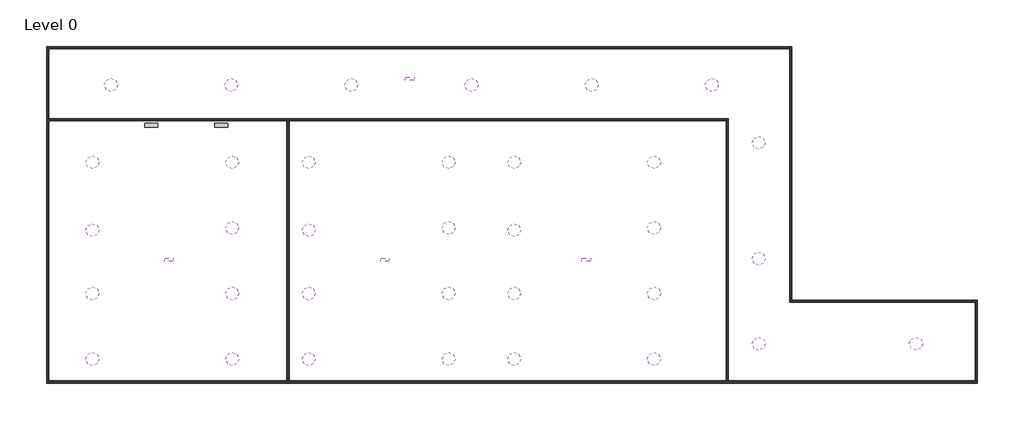
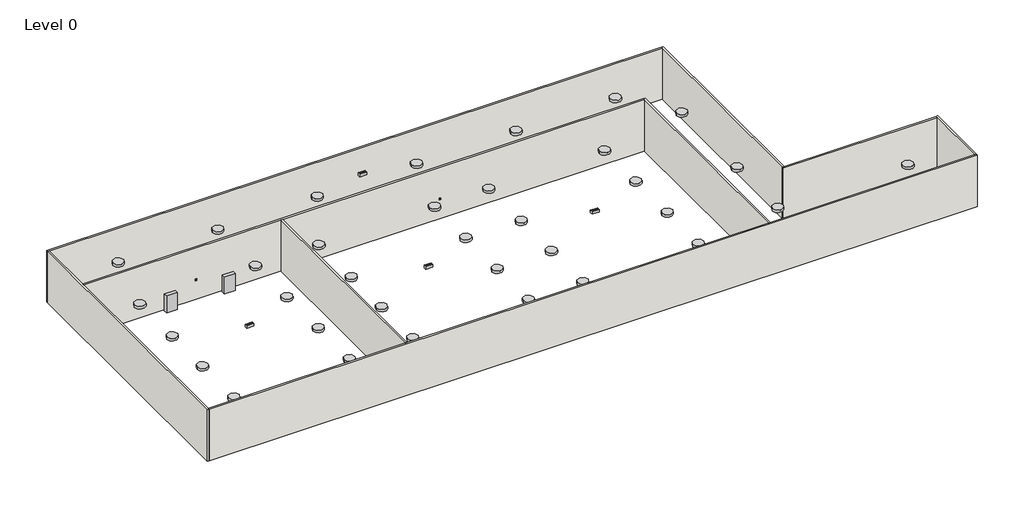
# One storey: 34 light fixtures, 9 walls, 6 proxies, 2 switching devices.
"""IFC4 building model written with IfcOpenShell, lengths in millimetres."""

import ifcopenshell
import ifcopenshell.guid

model = None  # the IFC model being written
_history = None  # IfcOwnerHistory: only IFC2X3 demands one
_inside = {}  # id of a spatial element -> (the spatial element, [elements in it])
_under = {}  # id of a project, library or spatial element -> (it, [spatial elements below it])
_declared = {}  # id of a project -> (the project, [libraries it declares])
_typed = {}  # id of a type object -> (the type object, [elements of that type])
_made_of = {}  # id of a material, layer set ... -> (it, [elements and type objects made of it])


def new_model(schema):
    """Start an empty IFC model of exactly this schema.

    Asked for "IFC4X3", IfcOpenShell would pick the latest addendum, in which some entities
    have other attributes; the version numbers below select the first issue.
    IFC2X3 requires an IfcOwnerHistory on every rooted entity: one is made here for all.
    """
    global model, _history
    if schema == "IFC4X3":
        model = ifcopenshell.file(schema_version=(4, 3, 0, 0))
    else:
        model = ifcopenshell.file(schema=schema)
    _inside.clear()
    _under.clear()
    _declared.clear()
    _typed.clear()
    _made_of.clear()
    _history = None
    if model.schema == "IFC2X3":
        org = make("IfcOrganization", Name="unknown")
        user = make(
            "IfcPersonAndOrganization",
            ThePerson=make("IfcPerson", FamilyName="unknown"),
            TheOrganization=org,
        )
        app = make(
            "IfcApplication",
            ApplicationDeveloper=org,
            Version="unknown",
            ApplicationFullName="unknown",
            ApplicationIdentifier="unknown",
        )
        _history = make(
            "IfcOwnerHistory",
            OwningUser=user,
            OwningApplication=app,
            ChangeAction="ADDED",
            CreationDate=0,
        )
    return model


def make(cls, **values):
    """One entity of the class cls with the attributes given. An attribute that is None is left unset."""
    return model.create_entity(
        cls, **{name: value for name, value in values.items() if value is not None}
    )


def rooted(cls, **values):
    """An entity with a GlobalId (a new one), such as an element, a storey or a relation."""
    return make(cls, GlobalId=ifcopenshell.guid.new(), OwnerHistory=_history, **values)


def si_unit(unit_type, name, prefix=None):
    """IfcSIUnit, for example si_unit("LENGTHUNIT", "METRE", prefix="MILLI")."""
    return make("IfcSIUnit", UnitType=unit_type, Prefix=prefix, Name=name)


def assignment(units):
    """IfcUnitAssignment: the units of a project."""
    return None if units is None else make("IfcUnitAssignment", Units=units)


def point(xyz):
    """IfcCartesianPoint."""
    return None if xyz is None else make("IfcCartesianPoint", Coordinates=xyz)


def direction(xyz):
    """IfcDirection."""
    return None if xyz is None else make("IfcDirection", DirectionRatios=xyz)


def frame(location, z_axis=None, x_axis=None):
    """IfcAxis2Placement3D, a coordinate frame: its origin and axes. An axis left out is left unset."""
    return make(
        "IfcAxis2Placement3D",
        Location=point(location),
        Axis=direction(z_axis),
        RefDirection=direction(x_axis),
    )


def frame_2d(location, x_axis=None):
    """IfcAxis2Placement2D, a coordinate frame in the plane: its origin and x axis."""
    return make(
        "IfcAxis2Placement2D", Location=point(location), RefDirection=direction(x_axis)
    )


def origin():
    """The frame at (0, 0, 0) with its axes left unset."""
    return frame((0.0, 0.0, 0.0))


def origin_with_axes():
    """The frame at (0, 0, 0) with the z axis (0, 0, 1) and the x axis (1, 0, 0) written out."""
    return frame((0.0, 0.0, 0.0), z_axis=(0.0, 0.0, 1.0), x_axis=(1.0, 0.0, 0.0))


def origin_2d():
    """The frame at (0, 0) in the plane with its x axis left unset."""
    return frame_2d((0.0, 0.0))


def place(relative_to, where):
    """IfcLocalPlacement: puts the frame where relative to a parent placement (None: the world)."""
    return make(
        "IfcLocalPlacement", PlacementRelTo=relative_to, RelativePlacement=where
    )


def context(
    kind, dimensions, precision=None, world=None, true_north=None, identifier=None
):
    """IfcGeometricRepresentationContext, for example the 3D "Model" context."""
    return make(
        "IfcGeometricRepresentationContext",
        ContextIdentifier=identifier,
        ContextType=kind,
        CoordinateSpaceDimension=dimensions,
        Precision=precision,
        WorldCoordinateSystem=world,
        TrueNorth=true_north,
    )


def project(units=None, contexts=None):
    """IfcProject with its units and contexts."""
    return rooted(
        "IfcProject",
        Name="project",
        RepresentationContexts=contexts,
        UnitsInContext=assignment(units),
    )


def spatial(cls, under=None, at=None, **own):
    """A site, building, storey or space (cls), placed at a placement, below another one or the project."""
    s = rooted(cls, ObjectPlacement=at, **own)
    if under is not None:
        _under.setdefault(under.id(), (under, []))[1].append(s)
    return s


def polyline(points):
    """IfcPolyline through the points."""
    return make("IfcPolyline", Points=[point(p) for p in points])


def circle_curve(where, radius):
    """IfcCircle in the frame where."""
    return make("IfcCircle", Position=where, Radius=radius)


def trimmed(basis, trim1, trim2, sense, master):
    """IfcTrimmedCurve: the piece of a basis curve between two trims."""
    return make(
        "IfcTrimmedCurve",
        BasisCurve=basis,
        Trim1=trim1,
        Trim2=trim2,
        SenseAgreement=sense,
        MasterRepresentation=master,
    )


def segment(curve, same_sense, transition):
    """IfcCompositeCurveSegment."""
    return make(
        "IfcCompositeCurveSegment",
        Transition=transition,
        SameSense=same_sense,
        ParentCurve=curve,
    )


def composite_curve(segments, self_intersect=None):
    """IfcCompositeCurve: segments joined end to end."""
    return make("IfcCompositeCurve", Segments=segments, SelfIntersect=self_intersect)


def outline(outer, holes=None, kind="AREA"):
    """IfcArbitraryClosedProfileDef: a profile drawn as a closed curve; with holes, ...WithVoids."""
    if holes is None:
        return make("IfcArbitraryClosedProfileDef", ProfileType=kind, OuterCurve=outer)
    return make(
        "IfcArbitraryProfileDefWithVoids",
        ProfileType=kind,
        OuterCurve=outer,
        InnerCurves=holes,
    )


def extrude(swept, where, along, depth):
    """IfcExtrudedAreaSolid: the profile swept, set in the frame where, extruded along a direction by depth."""
    return make(
        "IfcExtrudedAreaSolid",
        SweptArea=swept,
        Position=where,
        ExtrudedDirection=direction(along),
        Depth=depth,
    )


def faces_of(points, faces, orient=None, outer=None):
    """IfcFace entities. A face is a list of loops; a loop is a list of indices into points, from 0.

    orient and outer hold one flag for each loop. By default every Orientation is true, the
    first loop of a face is its IfcFaceOuterBound and the others are IfcFaceBound.
    """
    made = []
    for i, loops in enumerate(faces):
        bounds = []
        for j, loop in enumerate(loops):
            is_outer = j == 0 if outer is None else outer[i][j]
            bounds.append(
                make(
                    "IfcFaceOuterBound" if is_outer else "IfcFaceBound",
                    Bound=make("IfcPolyLoop", Polygon=[points[k] for k in loop]),
                    Orientation=True if orient is None else orient[i][j],
                )
            )
        made.append(make("IfcFace", Bounds=bounds))
    return made


def faceted_brep(points, faces, orient=None, outer=None, voids=None):
    """IfcFacetedBrep: a solid bounded by flat faces; with voids (closed shells), ...WithVoids."""
    shared = [point(p) for p in points]
    hull = make("IfcClosedShell", CfsFaces=faces_of(shared, faces, orient, outer))
    if voids is None:
        return make("IfcFacetedBrep", Outer=hull)
    return make(
        "IfcFacetedBrepWithVoids",
        Outer=hull,
        Voids=[
            make(cls, CfsFaces=faces_of(shared, fs, o, b)) for cls, fs, o, b in voids
        ],
    )


def shape(context_of_items, identifier, shape_type, items):
    """IfcShapeRepresentation: the items that make up one representation, for example the "Body"."""
    return make(
        "IfcShapeRepresentation",
        ContextOfItems=context_of_items,
        RepresentationIdentifier=identifier,
        RepresentationType=shape_type,
        Items=items,
    )


def source(mapping_origin, context_of_items, identifier, shape_type, items):
    """IfcRepresentationMap: a shape defined once, which mapped items show again and again."""
    return make(
        "IfcRepresentationMap",
        MappingOrigin=mapping_origin,
        MappedRepresentation=shape(context_of_items, identifier, shape_type, items),
    )


def transform(
    local_origin,
    x_axis=None,
    y_axis=None,
    z_axis=None,
    scale=None,
    scale2=None,
    scale3=None,
    uniform=True,
):
    """IfcCartesianTransformationOperator3D, or its non-uniform kind. x_axis, y_axis, z_axis: its Axis1, 2, 3."""
    if uniform:
        return make(
            "IfcCartesianTransformationOperator3D",
            Axis1=direction(x_axis),
            Axis2=direction(y_axis),
            LocalOrigin=point(local_origin),
            Scale=scale,
            Axis3=direction(z_axis),
        )
    return make(
        "IfcCartesianTransformationOperator3DnonUniform",
        Axis1=direction(x_axis),
        Axis2=direction(y_axis),
        LocalOrigin=point(local_origin),
        Scale=scale,
        Axis3=direction(z_axis),
        Scale2=scale2,
        Scale3=scale3,
    )


def mapped(mapping_source, mapping_target):
    """IfcMappedItem: shows the shape of a source again, moved by a transform."""
    return make(
        "IfcMappedItem", MappingSource=mapping_source, MappingTarget=mapping_target
    )


def made_of(thing, what):
    """Note that an element or type object is made of a material, layer set ...; save() writes the relation."""
    if what is not None:
        _made_of.setdefault(what.id(), (what, []))[1].append(thing)
    return thing


def element(
    cls,
    number,
    at=None,
    inside=None,
    cuts=None,
    type_object=None,
    material=None,
    context=None,
    identifier="Body",
    shape_type=None,
    held_by="IfcProductDefinitionShape",
    body=None,
    shapes=None,
    **own,
):
    """One element of the class cls, such as IfcWall. Its Tag is "e" and its number.

    at: its placement. inside: the storey or other place that contains it. cuts: it is an
    opening in that element (IfcRelVoidsElement). A single representation is given by context,
    identifier, shape_type and body (its items); several are given by shapes. held_by: the class
    of the entity that holds the representations. save() writes the other relations.
    """
    e = rooted(cls, Tag="e%d" % number, ObjectPlacement=at, **own)
    if body is not None:
        shapes = [shape(context, identifier, shape_type, body)]
    if shapes is not None:
        e.Representation = make(held_by, Representations=shapes)
    if inside is not None:
        _inside.setdefault(inside.id(), (inside, []))[1].append(e)
    if cuts is not None:
        rooted(
            "IfcRelVoidsElement", RelatingBuildingElement=cuts, RelatedOpeningElement=e
        )
    if type_object is not None:
        _typed.setdefault(type_object.id(), (type_object, []))[1].append(e)
    return made_of(e, material)


def aggregate(whole, parts):
    """IfcRelAggregates: a whole, such as a stair, and the parts it consists of."""
    return rooted("IfcRelAggregates", RelatingObject=whole, RelatedObjects=parts)


def save(model, path):
    """Write the relations noted so far, then the file.

    IfcRelAggregates (storeys below a building ...), IfcRelContainedInSpatialStructure (elements
    in a storey), IfcRelDefinesByType, IfcRelAssociatesMaterial and IfcRelDeclares: one each for
    every whole, place, type object, material and project.
    """
    for whole, parts in _under.values():
        aggregate(whole, parts)
    for where, things in _inside.values():
        rooted(
            "IfcRelContainedInSpatialStructure",
            RelatedElements=things,
            RelatingStructure=where,
        )
    for kind, things in _typed.values():
        rooted("IfcRelDefinesByType", RelatedObjects=things, RelatingType=kind)
    for what, things in _made_of.values():
        rooted("IfcRelAssociatesMaterial", RelatedObjects=things, RelatingMaterial=what)
    for by, libraries in _declared.values():
        rooted("IfcRelDeclares", RelatingContext=by, RelatedDefinitions=libraries)
    model.write(path)


def distributionboard_c849aec5(model_context):
    return source(origin(), model_context, "Body", "SweptSolid", [
        extrude(outline(polyline([(600.0, 0.0), (0.0, 0.0), (0.0, 200.0), (600.0, 200.0), (600.0, 0.0)])), origin_with_axes(), (0.0, 0.0, 1.0), 1000.0),
    ])


def lcm_86692d3a(model_context):
    return source(origin(), model_context, "Body", "SweptSolid", [
        extrude(outline(polyline([(290.75, 85.5), (290.75, 60.5), (265.75, 60.5), (265.75, 85.5), (290.75, 85.5)])), frame((0.0, 0.0, 150.0), z_axis=(0.0, 0.0, 1.0), x_axis=(1.0, 0.0, 0.0)), (0.0, 0.0, 1.0), 10.0),
        extrude(outline(polyline([(210.5, 85.5), (210.5, 60.5), (185.5, 60.5), (185.5, 85.5), (210.5, 85.5)])), frame((0.0, 0.0, 150.0), z_axis=(0.0, 0.0, 1.0), x_axis=(1.0, 0.0, 0.0)), (0.0, 0.0, 1.0), 10.0),
        extrude(outline(polyline([(371.0, 24.8219732), (346.0, 24.8219732), (346.0, 49.8219732), (371.0, 49.8219732), (371.0, 24.8219732)])), frame((0.0, 0.0, 150.0), z_axis=(0.0, 0.0, 1.0), x_axis=(1.0, 0.0, 0.0)), (0.0, 0.0, 1.0), 10.0),
        extrude(outline(polyline([(290.75, 25.3219732), (265.75, 25.3219732), (265.75, 50.3219732), (290.75, 50.3219732), (290.75, 25.3219732)])), frame((0.0, 0.0, 150.0), z_axis=(0.0, 0.0, 1.0), x_axis=(1.0, 0.0, 0.0)), (0.0, 0.0, 1.0), 10.0),
        extrude(outline(polyline([(210.5, 25.8219732), (185.5, 25.8219732), (185.5, 50.8219732), (210.5, 50.8219732), (210.5, 25.8219732)])), frame((0.0, 0.0, 150.0), z_axis=(0.0, 0.0, 1.0), x_axis=(1.0, 0.0, 0.0)), (0.0, 0.0, 1.0), 10.0),
        extrude(outline(polyline([(130.25, 26.3219732), (105.25, 26.3219732), (105.25, 51.3219732), (130.25, 51.3219732), (130.25, 26.3219732)])), frame((0.0, 0.0, 150.0), z_axis=(0.0, 0.0, 1.0), x_axis=(1.0, 0.0, 0.0)), (0.0, 0.0, 1.0), 10.0),
        extrude(outline(polyline([(50.0, 26.8219732), (25.0, 26.8219732), (25.0, 51.8219732), (50.0, 51.8219732), (50.0, 26.8219732)])), frame((0.0, 0.0, 150.0), z_axis=(0.0, 0.0, 1.0), x_axis=(1.0, 0.0, 0.0)), (0.0, 0.0, 1.0), 10.0),
        extrude(outline(polyline([(371.0, 121.1780268), (371.0, 96.1780268), (346.0, 96.1780268), (346.0, 121.1780268), (371.0, 121.1780268)])), frame((0.0, 0.0, 150.0), z_axis=(0.0, 0.0, 1.0), x_axis=(1.0, 0.0, 0.0)), (0.0, 0.0, 1.0), 10.0),
        extrude(outline(polyline([(290.75, 121.1780268), (290.75, 96.1780268), (265.75, 96.1780268), (265.75, 121.1780268), (290.75, 121.1780268)])), frame((0.0, 0.0, 150.0), z_axis=(0.0, 0.0, 1.0), x_axis=(1.0, 0.0, 0.0)), (0.0, 0.0, 1.0), 10.0),
        extrude(outline(polyline([(210.5, 121.1780268), (210.5, 96.1780268), (185.5, 96.1780268), (185.5, 121.1780268), (210.5, 121.1780268)])), frame((0.0, 0.0, 150.0), z_axis=(0.0, 0.0, 1.0), x_axis=(1.0, 0.0, 0.0)), (0.0, 0.0, 1.0), 10.0),
        extrude(outline(polyline([(130.25, 121.1780268), (130.25, 96.1780268), (105.25, 96.1780268), (105.25, 121.1780268), (130.25, 121.1780268)])), frame((0.0, 0.0, 150.0), z_axis=(0.0, 0.0, 1.0), x_axis=(1.0, 0.0, 0.0)), (0.0, 0.0, 1.0), 10.0),
        extrude(outline(polyline([(50.0, 121.1780268), (50.0, 96.1780268), (25.0, 96.1780268), (25.0, 121.1780268), (50.0, 121.1780268)])), frame((0.0, 0.0, 150.0), z_axis=(0.0, 0.0, 1.0), x_axis=(1.0, 0.0, 0.0)), (0.0, 0.0, 1.0), 10.0),
        extrude(outline(polyline([(396.0, 146.0), (396.0, 0.0), (0.0, 0.0), (0.0, 146.0), (396.0, 146.0)])), origin_with_axes(), (0.0, 0.0, 1.0), 150.0),
    ])


def lightfixture_ceiling_circular_unit_mounted_em_e68528b2(model_context):
    return source(origin(), model_context, "Body", "SweptSolid", [
        extrude(outline(composite_curve([segment(trimmed(circle_curve(origin_2d(), 300.0), [point((-300.0, 0.0))], [point((300.0, 0.0))], False, "CARTESIAN"), True, "CONTINUOUS"), segment(trimmed(circle_curve(origin_2d(), 300.0), [point((300.0, 0.0))], [point((-300.0, 0.0))], False, "CARTESIAN"), True, "CONTINUOUS")], self_intersect=False)), frame((0.0, 0.0, -140.0), z_axis=(0.0, 0.0, 1.0), x_axis=(1.0, 0.0, 0.0)), (0.0, 0.0, 1.0), 140.0),
    ])


def lighting_switches_one_way_switch_9cbd35ee(model_context):
    return source(origin(), model_context, "Body", "SweptSolid", [
        extrude(outline(polyline([(35.0, -114.0), (-35.0, -114.0), (-35.0, 0.0), (35.0, 0.0), (35.0, -114.0)])), origin_with_axes(), (0.0, 0.0, 1.0), 5.0),
        extrude(outline(polyline([(19.0, -95.0), (-19.0, -95.0), (-19.0, -19.0), (19.0, -19.0), (19.0, -95.0)])), frame((0.0, 0.0, -54.0), z_axis=(0.0, 0.0, 1.0), x_axis=(1.0, 0.0, 0.0)), (0.0, 0.0, 1.0), 54.0),
    ])


model = new_model("IFC4")

# Units and contexts
model_context = context("Model", 3, world=origin())
ifc_project = project(units=[si_unit("LENGTHUNIT", "METRE", prefix="MILLI")], contexts=[model_context])

# Site, building, storey
site = spatial("IfcSite", under=ifc_project)
building = spatial("IfcBuilding", under=site)
storey = spatial("IfcBuildingStorey", under=building, Name="Level 0", Elevation=0.0)

# Proxies
placement = place(None, origin())
distributionboard_shape = distributionboard_c849aec5(model_context)
element("IfcBuildingElementProxy", 1, Name="DistributionBoard", ObjectType="DistributionBoard", at=placement, inside=storey, context=model_context, shape_type="MappedRepresentation", body=[
    mapped(distributionboard_shape, transform((-27351.3501072, 15189.5817255, 0.0), x_axis=(1.0, 0.0, 0.0), y_axis=(0.0, 1.0, 0.0), z_axis=(0.0, 0.0, 1.0))),
])
element("IfcBuildingElementProxy", 2, Name="DistributionBoard", ObjectType="DistributionBoard", at=placement, inside=storey, context=model_context, shape_type="MappedRepresentation", body=[
    mapped(distributionboard_shape, transform((-24151.3501072, 15189.5817255, 0.0), x_axis=(1.0, 0.0, 0.0), y_axis=(0.0, 1.0, 0.0), z_axis=(0.0, 0.0, 1.0))),
])
lcm_shape = lcm_86692d3a(model_context)
element("IfcBuildingElementProxy", 3, Name="LCM", ObjectType="LCM", at=placement, inside=storey, context=model_context, shape_type="MappedRepresentation", body=[
    mapped(lcm_shape, transform((-16553.3501072, 9062.5817255, 2500.0), x_axis=(1.0, 0.0, 0.0), y_axis=(0.0, 1.0, 0.0), z_axis=(0.0, 0.0, 1.0))),
])
element("IfcBuildingElementProxy", 4, Name="LCM", ObjectType="LCM", at=placement, inside=storey, context=model_context, shape_type="MappedRepresentation", body=[
    mapped(lcm_shape, transform((-15426.499447, 17335.7310654, 2500.0), x_axis=(1.0, 0.0, 0.0), y_axis=(0.0, 1.0, 0.0), z_axis=(0.0, 0.0, 1.0))),
])
element("IfcBuildingElementProxy", 5, Name="LCM", ObjectType="LCM", at=placement, inside=storey, context=model_context, shape_type="MappedRepresentation", body=[
    mapped(lcm_shape, transform((-26453.3501072, 9062.5817255, 2500.0), x_axis=(1.0, 0.0, 0.0), y_axis=(0.0, 1.0, 0.0), z_axis=(0.0, 0.0, 1.0))),
])
element("IfcBuildingElementProxy", 6, Name="LCM", ObjectType="LCM", at=placement, inside=storey, context=model_context, shape_type="MappedRepresentation", body=[
    mapped(lcm_shape, transform((-7353.3501072, 9062.5817255, 2500.0), x_axis=(1.0, 0.0, 0.0), y_axis=(0.0, 1.0, 0.0), z_axis=(0.0, 0.0, 1.0))),
])

# Light fixtures
lightfixture_ceiling_circular_unit_mounted_em_shape = lightfixture_ceiling_circular_unit_mounted_em_e68528b2(model_context)
element("IfcLightFixture", 7, ObjectType="LightFixture_Ceiling_Circular : Unit_Mounted", at=placement, inside=storey, context=model_context, shape_type="MappedRepresentation", body=[
    mapped(lightfixture_ceiling_circular_unit_mounted_em_shape, transform((-13451.3501072, 13589.5817255, 2400.0), x_axis=(1.0, 0.0, 0.0), y_axis=(0.0, 1.0, 0.0), z_axis=(0.0, 0.0, 1.0))),
])
element("IfcLightFixture", 8, ObjectType="LightFixture_Ceiling_Circular : Unit_Mounted", at=placement, inside=storey, context=model_context, shape_type="MappedRepresentation", body=[
    mapped(lightfixture_ceiling_circular_unit_mounted_em_shape, transform((-13451.3501072, 10589.5817255, 2400.0), x_axis=(1.0, 0.0, 0.0), y_axis=(0.0, 1.0, 0.0), z_axis=(0.0, 0.0, 1.0))),
])
element("IfcLightFixture", 9, ObjectType="LightFixture_Ceiling_Circular : Unit_Mounted", at=placement, inside=storey, context=model_context, shape_type="MappedRepresentation", body=[
    mapped(lightfixture_ceiling_circular_unit_mounted_em_shape, transform((-13451.3501072, 4589.5817255, 2400.0), x_axis=(1.0, 0.0, 0.0), y_axis=(0.0, 1.0, 0.0), z_axis=(0.0, 0.0, 1.0))),
])
element("IfcLightFixture", 10, ObjectType="LightFixture_Ceiling_Circular : Unit_Mounted", at=placement, inside=storey, context=model_context, shape_type="MappedRepresentation", body=[
    mapped(lightfixture_ceiling_circular_unit_mounted_em_shape, transform((-19851.3501072, 13589.5817255, 2400.0), x_axis=(1.0, 0.0, 0.0), y_axis=(0.0, 1.0, 0.0), z_axis=(0.0, 0.0, 1.0))),
])
element("IfcLightFixture", 11, ObjectType="LightFixture_Ceiling_Circular : Unit_Mounted", at=placement, inside=storey, context=model_context, shape_type="MappedRepresentation", body=[
    mapped(lightfixture_ceiling_circular_unit_mounted_em_shape, transform((-19851.3501072, 7589.5817255, 2400.0), x_axis=(1.0, 0.0, 0.0), y_axis=(0.0, 1.0, 0.0), z_axis=(0.0, 0.0, 1.0))),
])
element("IfcLightFixture", 12, ObjectType="LightFixture_Ceiling_Circular : Unit_Mounted", at=placement, inside=storey, context=model_context, shape_type="MappedRepresentation", body=[
    mapped(lightfixture_ceiling_circular_unit_mounted_em_shape, transform((-19851.3501072, 4589.5817255, 2400.0), x_axis=(1.0, 0.0, 0.0), y_axis=(0.0, 1.0, 0.0), z_axis=(0.0, 0.0, 1.0))),
])
element("IfcLightFixture", 13, ObjectType="LightFixture_Ceiling_Circular : Unit_Mounted", at=placement, inside=storey, context=model_context, shape_type="MappedRepresentation", body=[
    mapped(lightfixture_ceiling_circular_unit_mounted_em_shape, transform((-4051.3501072, 13589.5817255, 2400.0), x_axis=(1.0, 0.0, 0.0), y_axis=(0.0, 1.0, 0.0), z_axis=(0.0, 0.0, 1.0))),
])
element("IfcLightFixture", 14, ObjectType="LightFixture_Ceiling_Circular : Unit_Mounted", at=placement, inside=storey, context=model_context, shape_type="MappedRepresentation", body=[
    mapped(lightfixture_ceiling_circular_unit_mounted_em_shape, transform((-4051.3501072, 10589.5817255, 2400.0), x_axis=(1.0, 0.0, 0.0), y_axis=(0.0, 1.0, 0.0), z_axis=(0.0, 0.0, 1.0))),
])
element("IfcLightFixture", 15, ObjectType="LightFixture_Ceiling_Circular : Unit_Mounted", at=placement, inside=storey, context=model_context, shape_type="MappedRepresentation", body=[
    mapped(lightfixture_ceiling_circular_unit_mounted_em_shape, transform((-4051.3501072, 4589.5817255, 2400.0), x_axis=(1.0, 0.0, 0.0), y_axis=(0.0, 1.0, 0.0), z_axis=(0.0, 0.0, 1.0))),
])
element("IfcLightFixture", 16, ObjectType="LightFixture_Ceiling_Circular : Unit_Mounted", at=placement, inside=storey, context=model_context, shape_type="MappedRepresentation", body=[
    mapped(lightfixture_ceiling_circular_unit_mounted_em_shape, transform((-10451.3501072, 13589.5817255, 2400.0), x_axis=(1.0, 0.0, 0.0), y_axis=(0.0, 1.0, 0.0), z_axis=(0.0, 0.0, 1.0))),
])
element("IfcLightFixture", 17, ObjectType="LightFixture_Ceiling_Circular : Unit_Mounted", at=placement, inside=storey, context=model_context, shape_type="MappedRepresentation", body=[
    mapped(lightfixture_ceiling_circular_unit_mounted_em_shape, transform((-10451.3501072, 7589.5817255, 2400.0), x_axis=(1.0, 0.0, 0.0), y_axis=(0.0, 1.0, 0.0), z_axis=(0.0, 0.0, 1.0))),
])
element("IfcLightFixture", 18, ObjectType="LightFixture_Ceiling_Circular : Unit_Mounted", at=placement, inside=storey, context=model_context, shape_type="MappedRepresentation", body=[
    mapped(lightfixture_ceiling_circular_unit_mounted_em_shape, transform((-10451.3501072, 4589.5817255, 2400.0), x_axis=(1.0, 0.0, 0.0), y_axis=(0.0, 1.0, 0.0), z_axis=(0.0, 0.0, 1.0))),
])
element("IfcLightFixture", 19, ObjectType="LightFixture_Ceiling_Circular : Unit_Mounted", at=placement, inside=storey, context=model_context, shape_type="MappedRepresentation", body=[
    mapped(lightfixture_ceiling_circular_unit_mounted_em_shape, transform((-28902.7087988, 17129.7354531, 2400.0), x_axis=(1.0, 0.0, 0.0), y_axis=(0.0, 1.0, 0.0), z_axis=(0.0, 0.0, 1.0))),
])
element("IfcLightFixture", 20, ObjectType="LightFixture_Ceiling_Circular : Unit_Mounted", at=placement, inside=storey, context=model_context, shape_type="MappedRepresentation", body=[
    mapped(lightfixture_ceiling_circular_unit_mounted_em_shape, transform((-23402.7087988, 17129.7354531, 2400.0), x_axis=(1.0, 0.0, 0.0), y_axis=(0.0, 1.0, 0.0), z_axis=(0.0, 0.0, 1.0))),
])
element("IfcLightFixture", 21, ObjectType="LightFixture_Ceiling_Circular : Unit_Mounted", at=placement, inside=storey, context=model_context, shape_type="MappedRepresentation", body=[
    mapped(lightfixture_ceiling_circular_unit_mounted_em_shape, transform((-17902.7087988, 17129.7354531, 2400.0), x_axis=(1.0, 0.0, 0.0), y_axis=(0.0, 1.0, 0.0), z_axis=(0.0, 0.0, 1.0))),
])
element("IfcLightFixture", 22, ObjectType="LightFixture_Ceiling_Circular : Unit_Mounted", at=placement, inside=storey, context=model_context, shape_type="MappedRepresentation", body=[
    mapped(lightfixture_ceiling_circular_unit_mounted_em_shape, transform((-12402.7087988, 17129.7354531, 2400.0), x_axis=(1.0, 0.0, 0.0), y_axis=(0.0, 1.0, 0.0), z_axis=(0.0, 0.0, 1.0))),
])
element("IfcLightFixture", 23, ObjectType="LightFixture_Ceiling_Circular : Unit_Mounted", at=placement, inside=storey, context=model_context, shape_type="MappedRepresentation", body=[
    mapped(lightfixture_ceiling_circular_unit_mounted_em_shape, transform((-6902.7087988, 17129.7354531, 2400.0), x_axis=(1.0, 0.0, 0.0), y_axis=(0.0, 1.0, 0.0), z_axis=(0.0, 0.0, 1.0))),
])
element("IfcLightFixture", 24, ObjectType="LightFixture_Ceiling_Circular : Unit_Mounted", at=placement, inside=storey, context=model_context, shape_type="MappedRepresentation", body=[
    mapped(lightfixture_ceiling_circular_unit_mounted_em_shape, transform((-1402.7087988, 17129.7354531, 2400.0), x_axis=(1.0, 0.0, 0.0), y_axis=(0.0, 1.0, 0.0), z_axis=(0.0, 0.0, 1.0))),
])
element("IfcLightFixture", 25, ObjectType="LightFixture_Ceiling_Circular : Unit_Mounted", at=placement, inside=storey, context=model_context, shape_type="MappedRepresentation", body=[
    mapped(lightfixture_ceiling_circular_unit_mounted_em_shape, transform((736.9805308, 14487.4391841, 2400.0), x_axis=(1.0, 0.0, 0.0), y_axis=(0.0, 1.0, 0.0), z_axis=(0.0, 0.0, 1.0))),
])
element("IfcLightFixture", 26, ObjectType="LightFixture_Ceiling_Circular : Unit_Mounted", at=placement, inside=storey, context=model_context, shape_type="MappedRepresentation", body=[
    mapped(lightfixture_ceiling_circular_unit_mounted_em_shape, transform((736.9805308, 9187.4391841, 2400.0), x_axis=(1.0, 0.0, 0.0), y_axis=(0.0, 1.0, 0.0), z_axis=(0.0, 0.0, 1.0))),
])
element("IfcLightFixture", 27, ObjectType="LightFixture_Ceiling_Circular : Unit_Mounted", at=placement, inside=storey, context=model_context, shape_type="MappedRepresentation", body=[
    mapped(lightfixture_ceiling_circular_unit_mounted_em_shape, transform((736.9805308, 5287.4391841, 2400.0), x_axis=(1.0, 0.0, 0.0), y_axis=(0.0, 1.0, 0.0), z_axis=(0.0, 0.0, 1.0))),
])
element("IfcLightFixture", 28, ObjectType="LightFixture_Ceiling_Circular : Unit_Mounted", at=placement, inside=storey, context=model_context, shape_type="MappedRepresentation", body=[
    mapped(lightfixture_ceiling_circular_unit_mounted_em_shape, transform((7936.9805308, 5287.4391841, 2400.0), x_axis=(1.0, 0.0, 0.0), y_axis=(0.0, 1.0, 0.0), z_axis=(0.0, 0.0, 1.0))),
])
element("IfcLightFixture", 29, ObjectType="LightFixture_Ceiling_Circular : Unit_Mounted", at=placement, inside=storey, context=model_context, shape_type="MappedRepresentation", body=[
    mapped(lightfixture_ceiling_circular_unit_mounted_em_shape, transform((-23351.3501072, 13589.5817255, 2400.0), x_axis=(1.0, 0.0, 0.0), y_axis=(0.0, 1.0, 0.0), z_axis=(0.0, 0.0, 1.0))),
])
element("IfcLightFixture", 30, ObjectType="LightFixture_Ceiling_Circular : Unit_Mounted", at=placement, inside=storey, context=model_context, shape_type="MappedRepresentation", body=[
    mapped(lightfixture_ceiling_circular_unit_mounted_em_shape, transform((-23351.3501072, 10589.5817255, 2400.0), x_axis=(1.0, 0.0, 0.0), y_axis=(0.0, 1.0, 0.0), z_axis=(0.0, 0.0, 1.0))),
])
element("IfcLightFixture", 31, ObjectType="LightFixture_Ceiling_Circular : Unit_Mounted", at=placement, inside=storey, context=model_context, shape_type="MappedRepresentation", body=[
    mapped(lightfixture_ceiling_circular_unit_mounted_em_shape, transform((-23351.3501072, 4589.5817255, 2400.0), x_axis=(1.0, 0.0, 0.0), y_axis=(0.0, 1.0, 0.0), z_axis=(0.0, 0.0, 1.0))),
])
element("IfcLightFixture", 32, ObjectType="LightFixture_Ceiling_Circular : Unit_Mounted", at=placement, inside=storey, context=model_context, shape_type="MappedRepresentation", body=[
    mapped(lightfixture_ceiling_circular_unit_mounted_em_shape, transform((-29751.3501072, 13589.5817255, 2400.0), x_axis=(1.0, 0.0, 0.0), y_axis=(0.0, 1.0, 0.0), z_axis=(0.0, 0.0, 1.0))),
])
element("IfcLightFixture", 33, ObjectType="LightFixture_Ceiling_Circular : Unit_Mounted", at=placement, inside=storey, context=model_context, shape_type="MappedRepresentation", body=[
    mapped(lightfixture_ceiling_circular_unit_mounted_em_shape, transform((-29751.3501072, 7589.5817255, 2400.0), x_axis=(1.0, 0.0, 0.0), y_axis=(0.0, 1.0, 0.0), z_axis=(0.0, 0.0, 1.0))),
])
element("IfcLightFixture", 34, ObjectType="LightFixture_Ceiling_Circular : Unit_Mounted", at=placement, inside=storey, context=model_context, shape_type="MappedRepresentation", body=[
    mapped(lightfixture_ceiling_circular_unit_mounted_em_shape, transform((-29751.3501072, 4589.5817255, 2400.0), x_axis=(1.0, 0.0, 0.0), y_axis=(0.0, 1.0, 0.0), z_axis=(0.0, 0.0, 1.0))),
])
element("IfcLightFixture", 35, ObjectType="LightFixture_Ceiling_Circular : Unit_Mounted EM", at=placement, inside=storey, context=model_context, shape_type="MappedRepresentation", body=[
    mapped(lightfixture_ceiling_circular_unit_mounted_em_shape, transform((-13451.3501072, 7589.5817255, 2400.0), x_axis=(1.0, 0.0, 0.0), y_axis=(0.0, 1.0, 0.0), z_axis=(0.0, 0.0, 1.0))),
])
element("IfcLightFixture", 36, ObjectType="LightFixture_Ceiling_Circular : Unit_Mounted EM", at=placement, inside=storey, context=model_context, shape_type="MappedRepresentation", body=[
    mapped(lightfixture_ceiling_circular_unit_mounted_em_shape, transform((-19851.3501072, 10489.5817255, 2400.0), x_axis=(1.0, 0.0, 0.0), y_axis=(0.0, 1.0, 0.0), z_axis=(0.0, 0.0, 1.0))),
])
element("IfcLightFixture", 37, ObjectType="LightFixture_Ceiling_Circular : Unit_Mounted EM", at=placement, inside=storey, context=model_context, shape_type="MappedRepresentation", body=[
    mapped(lightfixture_ceiling_circular_unit_mounted_em_shape, transform((-4051.3501072, 7589.5817255, 2400.0), x_axis=(1.0, 0.0, 0.0), y_axis=(0.0, 1.0, 0.0), z_axis=(0.0, 0.0, 1.0))),
])
element("IfcLightFixture", 38, ObjectType="LightFixture_Ceiling_Circular : Unit_Mounted EM", at=placement, inside=storey, context=model_context, shape_type="MappedRepresentation", body=[
    mapped(lightfixture_ceiling_circular_unit_mounted_em_shape, transform((-10451.3501072, 10489.5817255, 2400.0), x_axis=(1.0, 0.0, 0.0), y_axis=(0.0, 1.0, 0.0), z_axis=(0.0, 0.0, 1.0))),
])
element("IfcLightFixture", 39, ObjectType="LightFixture_Ceiling_Circular : Unit_Mounted EM", at=placement, inside=storey, context=model_context, shape_type="MappedRepresentation", body=[
    mapped(lightfixture_ceiling_circular_unit_mounted_em_shape, transform((-23351.3501072, 7589.5817255, 2400.0), x_axis=(1.0, 0.0, 0.0), y_axis=(0.0, 1.0, 0.0), z_axis=(0.0, 0.0, 1.0))),
])
element("IfcLightFixture", 40, ObjectType="LightFixture_Ceiling_Circular : Unit_Mounted EM", at=placement, inside=storey, context=model_context, shape_type="MappedRepresentation", body=[
    mapped(lightfixture_ceiling_circular_unit_mounted_em_shape, transform((-29751.3501072, 10489.5817255, 2400.0), x_axis=(1.0, 0.0, 0.0), y_axis=(0.0, 1.0, 0.0), z_axis=(0.0, 0.0, 1.0))),
])

# Switching devices
lighting_switches_one_way_switch_shape = lighting_switches_one_way_switch_9cbd35ee(model_context)
element("IfcSwitchingDevice", 41, ObjectType="Lighting Switches : One Way Switch", at=placement, inside=storey, context=model_context, shape_type="MappedRepresentation", body=[
    mapped(lighting_switches_one_way_switch_shape, transform((-25551.3501072, 15489.5817255, 1200.0), x_axis=(1.0, 0.0, 0.0), y_axis=(0.0, 0.0, 1.0), z_axis=(0.0, -1.0, 0.0))),
])
element("IfcSwitchingDevice", 42, ObjectType="Lighting Switches : Three Way Switch", at=placement, inside=storey, context=model_context, shape_type="MappedRepresentation", body=[
    mapped(lighting_switches_one_way_switch_shape, transform((-12051.3501072, 15489.5817255, 1200.0), x_axis=(1.0, 0.0, 0.0), y_axis=(0.0, 0.0, 1.0), z_axis=(0.0, -1.0, 0.0))),
])

# Walls
element("IfcWall", 43, at=placement, inside=storey, context=model_context, shape_type="SweptSolid", body=[
    extrude(outline(polyline([(-20851.3501072, 3589.5817255), (-20851.3501072, 15489.5817255), (-20751.3501072, 15489.5817255), (-20751.3501072, 3589.5817255), (-20851.3501072, 3589.5817255)])), origin_with_axes(), (0.0, 0.0, 1.0), 3000.0),
])
element("IfcWall", 44, at=placement, inside=storey, context=model_context, shape_type="Brep", body=[
    faceted_brep([(-31751.3501072, 3489.5817255, 0.0), (10748.6498928, 3489.5817255, 0.0), (10748.6498928, 3489.5817255, 3000.0), (-31751.3501072, 3489.5817255, 3000.0), (-31751.3501072, 3589.5817255, 0.0), (-31751.3501072, 3589.5817255, 3000.0), (-20851.3501072, 3589.5817255, 3000.0), (-20751.3501072, 3589.5817255, 3000.0), (-751.3501072, 3589.5817255, 3000.0), (-651.3501072, 3589.5817255, 3000.0), (10648.6498928, 3589.5817255, 3000.0), (10748.6498928, 3589.5817255, 3000.0), (10748.6498928, 3589.5817255, 0.0), (10648.6498928, 3589.5817255, 0.0), (-651.3501072, 3589.5817255, 0.0), (-751.3501072, 3589.5817255, 0.0), (-20751.3501072, 3589.5817255, 0.0), (-20851.3501072, 3589.5817255, 0.0)], [[[0, 1, 2, 3]], [[4, 5, 6, 7, 8, 9, 10, 11, 12, 13, 14, 15, 16, 17]], [[1, 0, 4, 17, 16, 15, 14, 13, 12]], [[3, 2, 11, 10, 9, 8, 7, 6, 5]], [[0, 3, 5, 4]], [[2, 1, 12, 11]]]),
])
element("IfcWall", 45, at=placement, inside=storey, context=model_context, shape_type="Brep", body=[
    faceted_brep([(-651.3501072, 3589.5817255, 0.0), (-651.3501072, 15589.5817255, 0.0), (-651.3501072, 15589.5817255, 3000.0), (-651.3501072, 3589.5817255, 3000.0), (-751.3501072, 3589.5817255, 0.0), (-751.3501072, 3589.5817255, 3000.0), (-751.3501072, 15489.5817255, 3000.0), (-751.3501072, 15589.5817255, 3000.0), (-751.3501072, 15589.5817255, 0.0), (-751.3501072, 15489.5817255, 0.0)], [[[0, 1, 2, 3]], [[4, 5, 6, 7, 8, 9]], [[1, 0, 4, 9, 8]], [[3, 2, 7, 6, 5]], [[0, 3, 5, 4]], [[2, 1, 8, 7]]]),
])
element("IfcWall", 46, at=placement, inside=storey, context=model_context, shape_type="Brep", body=[
    faceted_brep([(-751.3501072, 15589.5817255, 0.0), (-31751.3501072, 15589.5817255, 0.0), (-31751.3501072, 15589.5817255, 3000.0), (-751.3501072, 15589.5817255, 3000.0), (-751.3501072, 15489.5817255, 0.0), (-751.3501072, 15489.5817255, 3000.0), (-20751.3501072, 15489.5817255, 3000.0), (-20851.3501072, 15489.5817255, 3000.0), (-31751.3501072, 15489.5817255, 3000.0), (-31751.3501072, 15489.5817255, 0.0), (-20851.3501072, 15489.5817255, 0.0), (-20751.3501072, 15489.5817255, 0.0)], [[[0, 1, 2, 3]], [[4, 5, 6, 7, 8, 9, 10, 11]], [[1, 0, 4, 11, 10, 9]], [[3, 2, 8, 7, 6, 5]], [[0, 3, 5, 4]], [[2, 1, 9, 8]]]),
])
element("IfcWall", 47, at=placement, inside=storey, context=model_context, shape_type="Brep", body=[
    faceted_brep([(-31851.3501072, 18789.5817255, 0.0), (-31851.3501072, 3489.5817255, 0.0), (-31851.3501072, 3489.5817255, 3000.0), (-31851.3501072, 18789.5817255, 3000.0), (-31751.3501072, 18789.5817255, 0.0), (-31751.3501072, 18789.5817255, 3000.0), (-31751.3501072, 15589.5817255, 3000.0), (-31751.3501072, 15489.5817255, 3000.0), (-31751.3501072, 3589.5817255, 3000.0), (-31751.3501072, 3489.5817255, 3000.0), (-31751.3501072, 3489.5817255, 0.0), (-31751.3501072, 3589.5817255, 0.0), (-31751.3501072, 15489.5817255, 0.0), (-31751.3501072, 15589.5817255, 0.0)], [[[0, 1, 2, 3]], [[4, 5, 6, 7, 8, 9, 10, 11, 12, 13]], [[1, 0, 4, 13, 12, 11, 10]], [[3, 2, 9, 8, 7, 6, 5]], [[2, 1, 10, 9]], [[0, 3, 5, 4]]]),
])
element("IfcWall", 48, at=placement, inside=storey, context=model_context, shape_type="Brep", body=[
    faceted_brep([(10748.6498928, 3589.5817255, 0.0), (10748.6498928, 7289.5817255, 0.0), (10748.6498928, 7289.5817255, 3000.0), (10748.6498928, 3589.5817255, 3000.0), (10648.6498928, 3589.5817255, 0.0), (10648.6498928, 3589.5817255, 3000.0), (10648.6498928, 7189.5817255, 3000.0), (10648.6498928, 7289.5817255, 3000.0), (10648.6498928, 7289.5817255, 0.0), (10648.6498928, 7189.5817255, 0.0)], [[[0, 1, 2, 3]], [[4, 5, 6, 7, 8, 9]], [[1, 0, 4, 9, 8]], [[3, 2, 7, 6, 5]], [[0, 3, 5, 4]], [[2, 1, 8, 7]]]),
])
element("IfcWall", 49, at=placement, inside=storey, context=model_context, shape_type="Brep", body=[
    faceted_brep([(10648.6498928, 7289.5817255, 0.0), (2248.6498928, 7289.5817255, 0.0), (2148.6498928, 7289.5817255, 0.0), (2148.6498928, 7289.5817255, 3000.0), (2248.6498928, 7289.5817255, 3000.0), (10648.6498928, 7289.5817255, 3000.0), (10648.6498928, 7189.5817255, 0.0), (10648.6498928, 7189.5817255, 3000.0), (2148.6498928, 7189.5817255, 3000.0), (2148.6498928, 7189.5817255, 0.0)], [[[0, 1, 2, 3, 4, 5]], [[6, 7, 8, 9]], [[2, 1, 0, 6, 9]], [[5, 4, 3, 8, 7]], [[0, 5, 7, 6]], [[3, 2, 9, 8]]]),
])
element("IfcWall", 50, at=placement, inside=storey, context=model_context, shape_type="Brep", body=[
    faceted_brep([(2248.6498928, 7289.5817255, 0.0), (2248.6498928, 18889.5817255, 0.0), (2248.6498928, 18889.5817255, 3000.0), (2248.6498928, 7289.5817255, 3000.0), (2148.6498928, 7289.5817255, 0.0), (2148.6498928, 7289.5817255, 3000.0), (2148.6498928, 18789.5817255, 3000.0), (2148.6498928, 18889.5817255, 3000.0), (2148.6498928, 18889.5817255, 0.0), (2148.6498928, 18789.5817255, 0.0)], [[[0, 1, 2, 3]], [[4, 5, 6, 7, 8, 9]], [[1, 0, 4, 9, 8]], [[3, 2, 7, 6, 5]], [[0, 3, 5, 4]], [[2, 1, 8, 7]]]),
])
element("IfcWall", 51, at=placement, inside=storey, context=model_context, shape_type="Brep", body=[
    faceted_brep([(2148.6498928, 18889.5817255, 0.0), (-31851.3501072, 18889.5817255, 0.0), (-31851.3501072, 18889.5817255, 3000.0), (2148.6498928, 18889.5817255, 3000.0), (2148.6498928, 18789.5817255, 0.0), (2148.6498928, 18789.5817255, 3000.0), (-31751.3501072, 18789.5817255, 3000.0), (-31851.3501072, 18789.5817255, 3000.0), (-31851.3501072, 18789.5817255, 0.0), (-31751.3501072, 18789.5817255, 0.0)], [[[0, 1, 2, 3]], [[4, 5, 6, 7, 8, 9]], [[1, 0, 4, 9, 8]], [[3, 2, 7, 6, 5]], [[0, 3, 5, 4]], [[2, 1, 8, 7]]]),
])

save(model, "model.ifc")
